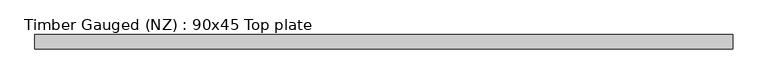
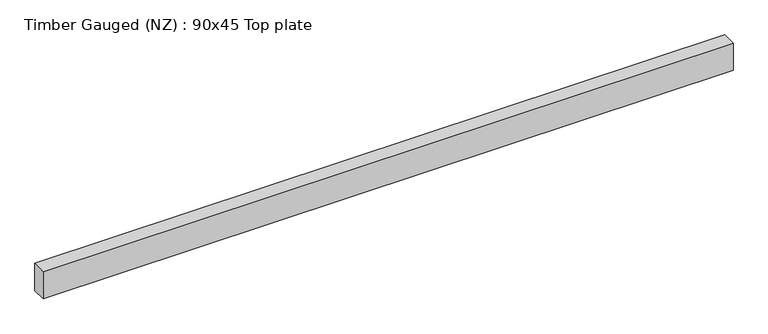
"""IFC4 building model written with IfcOpenShell, lengths in millimetres: beam geometry, Timber Gauged (NZ) : 90x45 Top plate."""

import ifcopenshell
import ifcopenshell.guid

model = None  # the IFC model being written
_history = None  # IfcOwnerHistory: only IFC2X3 demands one
_inside = {}  # id of a spatial element -> (the spatial element, [elements in it])
_under = {}  # id of a project, library or spatial element -> (it, [spatial elements below it])
_declared = {}  # id of a project -> (the project, [libraries it declares])
_typed = {}  # id of a type object -> (the type object, [elements of that type])
_made_of = {}  # id of a material, layer set ... -> (it, [elements and type objects made of it])


def new_model(schema):
    """Start an empty IFC model of exactly this schema.

    Asked for "IFC4X3", IfcOpenShell would pick the latest addendum, in which some entities
    have other attributes; the version numbers below select the first issue.
    IFC2X3 requires an IfcOwnerHistory on every rooted entity: one is made here for all.
    """
    global model, _history
    if schema == "IFC4X3":
        model = ifcopenshell.file(schema_version=(4, 3, 0, 0))
    else:
        model = ifcopenshell.file(schema=schema)
    _inside.clear()
    _under.clear()
    _declared.clear()
    _typed.clear()
    _made_of.clear()
    _history = None
    if model.schema == "IFC2X3":
        org = make("IfcOrganization", Name="unknown")
        user = make(
            "IfcPersonAndOrganization",
            ThePerson=make("IfcPerson", FamilyName="unknown"),
            TheOrganization=org,
        )
        app = make(
            "IfcApplication",
            ApplicationDeveloper=org,
            Version="unknown",
            ApplicationFullName="unknown",
            ApplicationIdentifier="unknown",
        )
        _history = make(
            "IfcOwnerHistory",
            OwningUser=user,
            OwningApplication=app,
            ChangeAction="ADDED",
            CreationDate=0,
        )
    return model


def make(cls, **values):
    """One entity of the class cls with the attributes given. An attribute that is None is left unset."""
    return model.create_entity(
        cls, **{name: value for name, value in values.items() if value is not None}
    )


def rooted(cls, **values):
    """An entity with a GlobalId (a new one), such as an element, a storey or a relation."""
    return make(cls, GlobalId=ifcopenshell.guid.new(), OwnerHistory=_history, **values)


def si_unit(unit_type, name, prefix=None):
    """IfcSIUnit, for example si_unit("LENGTHUNIT", "METRE", prefix="MILLI")."""
    return make("IfcSIUnit", UnitType=unit_type, Prefix=prefix, Name=name)


def assignment(units):
    """IfcUnitAssignment: the units of a project."""
    return None if units is None else make("IfcUnitAssignment", Units=units)


def point(xyz):
    """IfcCartesianPoint."""
    return None if xyz is None else make("IfcCartesianPoint", Coordinates=xyz)


def direction(xyz):
    """IfcDirection."""
    return None if xyz is None else make("IfcDirection", DirectionRatios=xyz)


def frame(location, z_axis=None, x_axis=None):
    """IfcAxis2Placement3D, a coordinate frame: its origin and axes. An axis left out is left unset."""
    return make(
        "IfcAxis2Placement3D",
        Location=point(location),
        Axis=direction(z_axis),
        RefDirection=direction(x_axis),
    )


def origin():
    """The frame at (0, 0, 0) with its axes left unset."""
    return frame((0.0, 0.0, 0.0))


def place(relative_to, where):
    """IfcLocalPlacement: puts the frame where relative to a parent placement (None: the world)."""
    return make(
        "IfcLocalPlacement", PlacementRelTo=relative_to, RelativePlacement=where
    )


def context(
    kind, dimensions, precision=None, world=None, true_north=None, identifier=None
):
    """IfcGeometricRepresentationContext, for example the 3D "Model" context."""
    return make(
        "IfcGeometricRepresentationContext",
        ContextIdentifier=identifier,
        ContextType=kind,
        CoordinateSpaceDimension=dimensions,
        Precision=precision,
        WorldCoordinateSystem=world,
        TrueNorth=true_north,
    )


def project(units=None, contexts=None):
    """IfcProject with its units and contexts."""
    return rooted(
        "IfcProject",
        Name="project",
        RepresentationContexts=contexts,
        UnitsInContext=assignment(units),
    )


def spatial(cls, under=None, at=None, **own):
    """A site, building, storey or space (cls), placed at a placement, below another one or the project."""
    s = rooted(cls, ObjectPlacement=at, **own)
    if under is not None:
        _under.setdefault(under.id(), (under, []))[1].append(s)
    return s


def polyline(points):
    """IfcPolyline through the points."""
    return make("IfcPolyline", Points=[point(p) for p in points])


def outline(outer, holes=None, kind="AREA"):
    """IfcArbitraryClosedProfileDef: a profile drawn as a closed curve; with holes, ...WithVoids."""
    if holes is None:
        return make("IfcArbitraryClosedProfileDef", ProfileType=kind, OuterCurve=outer)
    return make(
        "IfcArbitraryProfileDefWithVoids",
        ProfileType=kind,
        OuterCurve=outer,
        InnerCurves=holes,
    )


def extrude(swept, where, along, depth):
    """IfcExtrudedAreaSolid: the profile swept, set in the frame where, extruded along a direction by depth."""
    return make(
        "IfcExtrudedAreaSolid",
        SweptArea=swept,
        Position=where,
        ExtrudedDirection=direction(along),
        Depth=depth,
    )


def shape(context_of_items, identifier, shape_type, items):
    """IfcShapeRepresentation: the items that make up one representation, for example the "Body"."""
    return make(
        "IfcShapeRepresentation",
        ContextOfItems=context_of_items,
        RepresentationIdentifier=identifier,
        RepresentationType=shape_type,
        Items=items,
    )


def source(mapping_origin, context_of_items, identifier, shape_type, items):
    """IfcRepresentationMap: a shape defined once, which mapped items show again and again."""
    return make(
        "IfcRepresentationMap",
        MappingOrigin=mapping_origin,
        MappedRepresentation=shape(context_of_items, identifier, shape_type, items),
    )


def transform(
    local_origin,
    x_axis=None,
    y_axis=None,
    z_axis=None,
    scale=None,
    scale2=None,
    scale3=None,
    uniform=True,
):
    """IfcCartesianTransformationOperator3D, or its non-uniform kind. x_axis, y_axis, z_axis: its Axis1, 2, 3."""
    if uniform:
        return make(
            "IfcCartesianTransformationOperator3D",
            Axis1=direction(x_axis),
            Axis2=direction(y_axis),
            LocalOrigin=point(local_origin),
            Scale=scale,
            Axis3=direction(z_axis),
        )
    return make(
        "IfcCartesianTransformationOperator3DnonUniform",
        Axis1=direction(x_axis),
        Axis2=direction(y_axis),
        LocalOrigin=point(local_origin),
        Scale=scale,
        Axis3=direction(z_axis),
        Scale2=scale2,
        Scale3=scale3,
    )


def mapped(mapping_source, mapping_target):
    """IfcMappedItem: shows the shape of a source again, moved by a transform."""
    return make(
        "IfcMappedItem", MappingSource=mapping_source, MappingTarget=mapping_target
    )


def made_of(thing, what):
    """Note that an element or type object is made of a material, layer set ...; save() writes the relation."""
    if what is not None:
        _made_of.setdefault(what.id(), (what, []))[1].append(thing)
    return thing


def element(
    cls,
    number,
    at=None,
    inside=None,
    cuts=None,
    type_object=None,
    material=None,
    context=None,
    identifier="Body",
    shape_type=None,
    held_by="IfcProductDefinitionShape",
    body=None,
    shapes=None,
    **own,
):
    """One element of the class cls, such as IfcWall. Its Tag is "e" and its number.

    at: its placement. inside: the storey or other place that contains it. cuts: it is an
    opening in that element (IfcRelVoidsElement). A single representation is given by context,
    identifier, shape_type and body (its items); several are given by shapes. held_by: the class
    of the entity that holds the representations. save() writes the other relations.
    """
    e = rooted(cls, Tag="e%d" % number, ObjectPlacement=at, **own)
    if body is not None:
        shapes = [shape(context, identifier, shape_type, body)]
    if shapes is not None:
        e.Representation = make(held_by, Representations=shapes)
    if inside is not None:
        _inside.setdefault(inside.id(), (inside, []))[1].append(e)
    if cuts is not None:
        rooted(
            "IfcRelVoidsElement", RelatingBuildingElement=cuts, RelatedOpeningElement=e
        )
    if type_object is not None:
        _typed.setdefault(type_object.id(), (type_object, []))[1].append(e)
    return made_of(e, material)


def aggregate(whole, parts):
    """IfcRelAggregates: a whole, such as a stair, and the parts it consists of."""
    return rooted("IfcRelAggregates", RelatingObject=whole, RelatedObjects=parts)


def save(model, path):
    """Write the relations noted so far, then the file.

    IfcRelAggregates (storeys below a building ...), IfcRelContainedInSpatialStructure (elements
    in a storey), IfcRelDefinesByType, IfcRelAssociatesMaterial and IfcRelDeclares: one each for
    every whole, place, type object, material and project.
    """
    for whole, parts in _under.values():
        aggregate(whole, parts)
    for where, things in _inside.values():
        rooted(
            "IfcRelContainedInSpatialStructure",
            RelatedElements=things,
            RelatingStructure=where,
        )
    for kind, things in _typed.values():
        rooted("IfcRelDefinesByType", RelatedObjects=things, RelatingType=kind)
    for what, things in _made_of.values():
        rooted("IfcRelAssociatesMaterial", RelatedObjects=things, RelatingMaterial=what)
    for by, libraries in _declared.values():
        rooted("IfcRelDeclares", RelatingContext=by, RelatedDefinitions=libraries)
    model.write(path)


def timber_gauged_nz_90x45_top_plate_da307635(model_context):
    return source(origin(), model_context, "Body", "SweptSolid", [
        extrude(outline(polyline([(1080.0, 22.5), (1080.0, -22.5), (-1080.0, -22.5), (-1080.0, 22.5), (1080.0, 22.5)])), frame((0.0, 0.0, -45.0), z_axis=(0.0, 0.0, 1.0), x_axis=(1.0, 0.0, 0.0)), (0.0, 0.0, 1.0), 90.0),
    ])


if __name__ == "__main__":
    model = new_model("IFC4")
    model_context = context("Model", 3, world=origin())
    ifc_project = project(units=[si_unit("LENGTHUNIT", "METRE", prefix="MILLI")], contexts=[model_context])
    site = spatial("IfcSite", under=ifc_project)
    building = spatial("IfcBuilding", under=site)
    placement = place(None, origin())
    timber_gauged_nz_90x45_top_plate_shape = timber_gauged_nz_90x45_top_plate_da307635(model_context)
    element("IfcBeam", 1, ObjectType="Timber Gauged (NZ) : 90x45 Top plate", at=placement, inside=building, context=model_context, shape_type="MappedRepresentation", body=[
        mapped(timber_gauged_nz_90x45_top_plate_shape, transform((0.0, 0.0, 0.0), x_axis=(1.0, 0.0, 0.0), y_axis=(0.0, 1.0, 0.0), z_axis=(0.0, 0.0, 1.0))),
    ])
    save(model, "model.ifc")
